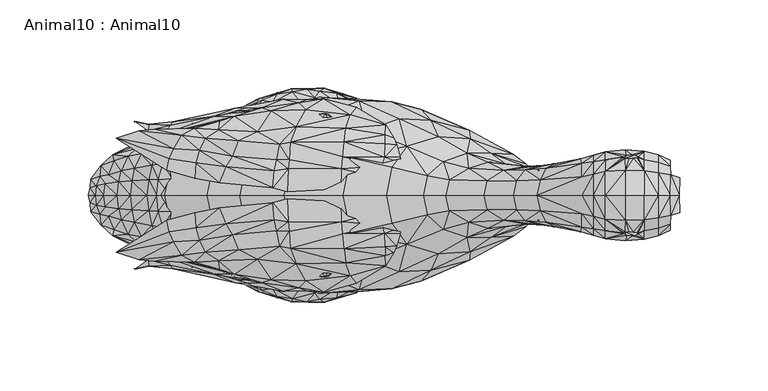
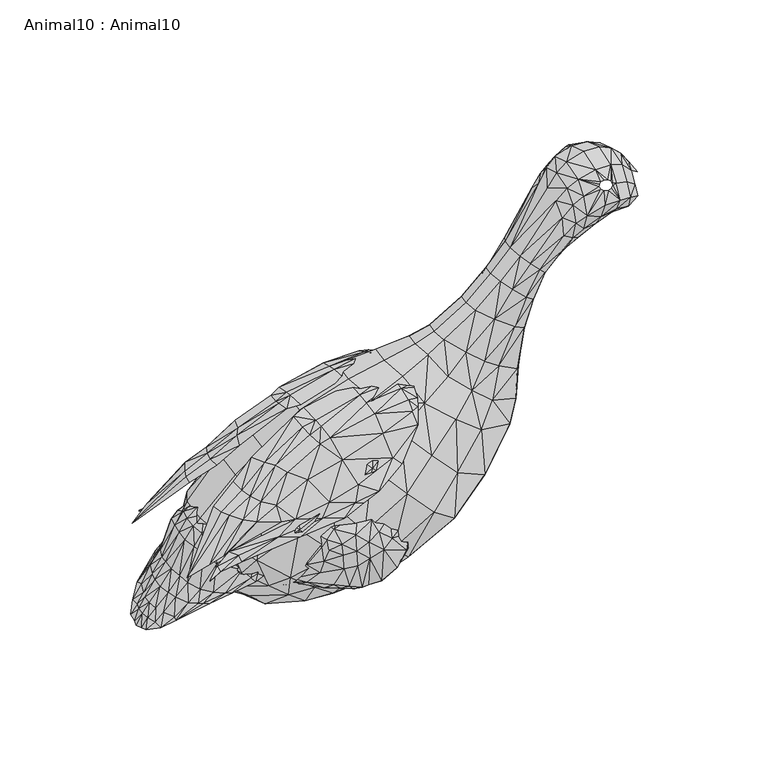
"""IFC4 building model written with IfcOpenShell, lengths in millimetres: geographic element geometry, Animal10 : Animal10."""

from ifc_helpers import new_model, si_unit, origin, place, context, project, spatial, triangles, source, transform, mapped, element, save


def animal10_animal10_7f223ae2(model_context):
    return source(origin(), model_context, "Body", "Tessellation", [
        triangles([(-83.908205, 0.0007284, 269.800374), (-72.4939035, 14.2146711, 268.7290731), (-72.4939035, 0.0007284, 273.4559648), (-61.6470547, 0.0007284, 272.5885396), (-53.775424, 0.0007284, 269.4131883), (-61.6470547, 13.7809573, 267.9778471), (-65.36273, 21.6423745, 261.0640795), (-65.1556523, -21.9450449, 259.5809578), (-61.6470547, 20.208875, 258.5558023), (-46.8424942, 16.4083553, 250.5159043), (-46.8424942, 19.7153641, 244.3467133), (-90.6861071, 11.9613577, 260.3914643), (-41.8283653, 0.0007284, 255.287379), (-41.5535819, 9.9933932, 253.844898), (-68.5724314, 22.8934223, 257.4424982), (-66.432632, 22.5769332, 258.3047821), (-71.5060278, 22.7580517, 258.2357819), (-74.12901, 21.4071894, 261.2365435), (-73.2661856, 21.8404252, 259.3740119), (-65.1556523, 21.9465006, 259.5809578), (-97.1291277, 0.0007284, 255.2997329), (-90.6861071, 0.0007284, 264.1013759), (-97.1291277, -10.4139605, 252.5091329), (-90.6861071, -11.959902, 260.3914643), (-90.6861071, -19.0111727, 252.1958526), (-61.6470547, -24.8180913, 249.1715459), (-46.8424942, -16.4068985, 250.5159043), (-46.8424942, -19.7139084, 244.3467133), (-46.5843658, -11.4844371, 257.5037045), (-41.5535819, -9.9919364, 253.844898), (-83.908205, -24.6352991, 245.8059265), (-73.2661856, -21.8389672, 259.3740119), (-71.5060278, -22.7565938, 258.2357819), (-68.5724314, -22.8919666, 257.4424982), (-66.432632, -22.5754775, 258.3047821), (-61.6470547, -20.2074171, 258.5558023), (-61.1582037, 20.208875, 240.0571313), (-72.4939035, 14.2146711, 229.8407491), (-72.4939035, 20.9600874, 238.7893308), (-60.5804638, 13.7809573, 233.8109283), (-61.6470547, 0.0007284, 229.1558345), (-53.775424, 0.0007284, 228.8038938), (-60.5804638, -13.7795005, 233.8109283), (-72.4939035, -14.2132142, 229.8407491), (-61.1582037, -20.2074171, 240.0571313), (-90.5096371, 19.0126295, 229.034185), (-72.4939035, 25.6869768, 249.8769898), (-61.6470547, 24.8195493, 249.1715459), (-53.775424, 23.0150241, 247.5212833), (-97.1291277, 18.0394978, 244.8850343), (-90.5096371, 22.7225207, 241.5732089), (-83.908205, 24.6367547, 245.8059265), (-83.908205, 20.2342232, 257.2499228), (-52.708833, 18.8297634, 238.3736767), (-90.5096371, -22.721065, 241.5732089), (-53.775424, -23.0135685, 247.5212833), (-52.708833, -18.8283066, 238.3736767), (-83.908205, -20.2327676, 257.2499228), (-83.908205, -20.2327676, 233.8565105), (-72.4939035, -25.6855211, 249.8769898), (-72.4939035, -20.9586317, 238.7893308), (-90.6861071, 19.0126295, 252.1958526), (-83.908205, 13.6895612, 265.3978447), (-53.775424, 12.8786959, 265.2279242), (-53.775424, 18.8297634, 256.3330274), (-46.8424942, 0.0007284, 262.8578472), (-46.5843658, 11.4858939, 257.5037045), (-73.6458272, 21.0254949, 262.6506832), (-72.6794663, 20.6340785, 263.9958591), (-70.5051577, 20.7823184, 264.5132149), (-67.9857121, 20.9687487, 263.9268589), (-66.0184767, 21.2486076, 262.6506832), (-73.6458272, -21.0240369, 262.6506832), (-72.6794663, -20.6326228, 263.9958591), (-72.4939035, -14.2132142, 268.7290731), (-66.0184767, -21.247152, 262.6506832), (-67.9857121, -20.967293, 263.9268589), (-70.5051577, -20.7808605, 264.5132149), (-65.36273, -21.6409188, 261.0640795), (-61.6470547, -13.7795005, 267.9778471), (-53.775424, -12.8772379, 265.2279242), (-53.775424, -18.8283066, 256.3330274), (-83.908205, -13.6881044, 265.3978447), (-74.12901, -21.4057315, 261.2365435), (-103.7851712, 8.8637395, 203.6803728), (-101.9436321, 0.0007284, 202.1808277), (-97.8350166, 10.4154174, 210.7879332), (-97.8350166, 0.0007284, 207.9973331), (-135.6364883, 0.0007284, 207.712267), (-122.6268446, 0.0007284, 221.5038307), (-129.180914, -14.4187431, 202.4556111), (-120.7852964, -8.8622821, 220.0043037), (-97.8350166, -10.4139605, 210.7879332), (-112.3146561, 17.7267511, 212.5985603), (-107.4446499, 15.3519143, 207.2881468), (-117.4707458, 15.3519143, 217.3371155), (-150.8350156, 8.1973149, 191.314358), (-129.180914, 14.4201999, 202.4556111), (-133.9067157, 8.3258141, 206.3037592), (-103.7851712, -8.8622821, 203.6803728), (-114.8392476, -14.4187431, 190.2267427), (-121.0087202, -16.6494436, 195.1974785), (-107.4446499, -15.3504575, 207.2881468), (-133.9067157, -8.3243579, 206.3037592), (-141.3184362, -14.1961765, 185.2382209), (-172.351235, 8.7699208, 177.9979651), (-175.7602929, 19.1374515, 159.3152574), (-208.097109, 0.0007284, 170.2511451), (-186.9762144, 0.0007284, 174.880005), (-232.4089063, 0.0007284, 165.6864892), (-204.7785616, -15.970924, 167.5489118), (-184.6805696, -11.0478631, 173.0106787), (-161.0791032, -15.1879583, 168.7979271), (-175.7602929, -19.1359936, 159.3152574), (-117.3733589, 8.1973149, 169.9547061), (-120.8818203, 14.1976333, 172.0279262), (-204.7785616, 15.9723808, 167.5489118), (-196.5021046, 27.6644428, 152.2339854), (-184.6805696, 11.0493199, 173.0106787), (-161.0791032, 15.1894151, 168.7979271), (-126.3076882, -15.1879583, 144.8571919), (-120.0799252, 0.0007284, 140.4638009), (-121.9019706, -8.768464, 141.9474494), (-115.6702924, 0.0007284, 168.5679266), (-139.9740779, -17.5376559, 153.2535271), (-120.8818203, -14.1961765, 172.0279262), (-196.5021046, -27.6629849, 152.2339854), (-260.2776631, -26.4649203, 150.3713084), (-227.9832317, -21.2993767, 162.0827302), (-111.5439455, 8.3258141, 187.8081948), (-114.8392476, 14.4201999, 190.2267427), (-141.3184362, 14.1976333, 185.2382209), (-121.0087202, 16.6509004, 195.1974785), (-152.5380911, 0.0007284, 192.7011374), (-128.6682636, 16.3939019, 176.631606), (-150.5265951, 18.7509857, 161.0257271), (-150.8350156, -8.1958586, 191.314358), (-172.351235, -8.768464, 177.9979651), (-150.5265951, -18.7495289, 161.0257271), (-128.6682636, -16.3924451, 176.631606), (-117.3733589, -8.1958586, 169.9547061), (-109.8141819, 0.0007284, 186.3996871), (-111.5439455, -8.3243579, 187.8081948), (-174.1732894, 0.0007284, 179.4816137), (-90.5096371, 0.0007284, 214.3629875), (-72.4939035, 0.0007284, 225.1138574), (-97.8350166, 18.0394978, 220.8971453), (-90.5096371, 11.9613577, 218.0728809), (-83.908205, 13.6895612, 223.8246919), (-83.908205, 20.2342232, 233.8565105), (-97.8350166, 20.8301057, 233.9822114), (-120.7852964, 8.8637395, 220.0043037), (-97.1291277, 10.4154174, 252.5091329), (-90.5096371, -19.0111727, 229.034185), (-112.3146561, -17.7252943, 212.5985603), (-97.8350166, -20.8286501, 233.9822114), (-83.908205, 0.0007284, 219.4221445), (-90.5096371, -11.959902, 218.0728809), (-83.908205, -13.6881044, 223.8246919), (-97.8350166, -18.0380421, 220.8971453), (-117.4707458, -15.3504575, 217.3371155), (-97.1291277, -18.0380421, 244.8850343), (-136.0042984, 23.2966998, 113.7729973), (-124.5094059, 11.0493199, 124.1328936), (-128.6651388, 13.3359729, 112.3880437), (-333.4495957, 0.0007284, 100.8902626), (-309.6985382, 0.0007284, 123.5788668), (-271.2189647, 48.0113182, 118.4076617), (-160.3373607, -31.9425747, 123.0843112), (-148.334178, -23.8639345, 135.1754791), (-160.9554553, -36.892134, 93.980192), (-125.3465914, 0.0007284, 109.6857922), (-124.5094059, -11.0478631, 124.1328936), (-128.6651388, -13.3345161, 112.3880437), (-285.4184795, -27.7182005, 132.2250777), (-253.5329076, -56.3296604, 97.3443852), (-336.9039634, 20.4620868, 87.5415406), (-343.9181791, -13.5256563, 75.0334424), (-341.1553754, 0.0007284, 91.0033933), (-336.9039634, -20.4606288, 87.5415406), (-336.3295072, 7.1778714, 60.7142083), (-348.1117095, 0.0007284, 70.4740459), (-347.2507519, 4.1444543, 69.7729713), (-315.3669059, 27.0534995, 54.952169), (-296.9907383, 40.9234423, 57.4732225), (-336.3295072, -7.1764152, 60.7142083), (-329.3999883, -8.2867234, 55.0182124), (-330.86923, -23.4276579, 64.8940177), (-309.8894423, -39.6493467, 67.8544111), (-207.4547972, 0.0007284, 50.7611412), (-181.4480816, 26.4663783, 74.0723864), (-219.1815342, 48.0113182, 61.8810748), (-213.214184, 27.7196561, 55.4509031), (-236.960409, 47.7244943, 55.6167315), (-233.7174929, 55.438581, 77.3451154), (-330.86923, 23.4291136, 64.8940177), (-346.7286544, 0.0007284, 77.32197), (-343.9181791, 13.5271131, 75.0334424), (-325.5851048, 35.4408395, 79.7117406), (-298.883864, 46.6145057, 73.9229088), (-309.8894423, 39.6508047, 67.8544111), (-175.9491258, 0.0007284, 69.5946619), (-272.2298405, -54.7893883, 86.7325602), (-296.9907383, -40.9219889, 57.4732225), (-298.883864, -46.6130478, 73.9229088), (-219.1815342, -48.0098602, 61.8810748), (-213.214184, -27.7182005, 55.4509031), (-204.740755, -52.9305673, 91.8177876), (-188.3671178, -48.7109393, 79.2338264), (-318.5581355, -40.8704296, 89.9869401), (-347.2507519, -4.1429975, 69.7729713), (-149.0937338, 0.0007284, 86.1931128), (-188.3671178, 48.7123927, 79.2338264), (-153.5194266, 21.3008324, 89.7968808), (-160.9554553, 36.8935897, 93.980192), (-318.5581355, 40.8718875, 89.9869401), (-328.5466973, 23.5977034, 96.8978918), (-272.2298405, 54.7908417, 86.7325602), (-293.3321135, 47.7244943, 107.2532917), (-204.740755, 52.9320207, 91.8177876), (-200.722105, 43.4617003, 125.5407837), (-223.6072997, 53.5548842, 112.211065), (-253.5329076, 56.3311138, 97.3443852), (-253.4973175, 55.1073876, 69.912207), (-136.0042984, -23.2952441, 113.7729973), (-181.4480816, -26.4649203, 74.0723864), (-153.5194266, -21.2993767, 89.7968808), (-271.2189647, -48.0098602, 118.4076617), (-293.3321135, -47.7230363, 107.2532917), (-253.4973175, -55.1059251, 69.912207), (-233.7174929, -55.4371276, 77.3451154), (-223.6072997, -53.5534308, 112.211065), (-328.5466973, -23.5962478, 96.8978918), (-325.5851048, -35.4393816, 79.7117406), (-274.3549107, -20.4606288, 38.3239098), (-292.1841094, 0.0007284, 33.9814264), (-310.6393601, 4.1444543, 42.2303075), (-294.9945847, 13.5271131, 36.2699541), (-259.9012326, 23.5977034, 40.7784294), (-221.2296832, 0.0007284, 42.7241545), (-311.3670047, 7.1778714, 43.8252456), (-302.6729496, 23.4291136, 42.5223273), (-274.3549107, 20.4620868, 38.3239098), (-282.3402336, 35.4408395, 44.6658738), (-302.6729496, -23.4276579, 42.5223273), (-294.9945847, -13.5256563, 36.2699541), (-254.998316, 0.0007284, 36.7860563), (-259.9012326, -23.5962478, 40.7784294), (-226.9546607, -27.5525992, 47.3859021), (-270.1034805, 0.0007284, 34.8620527), (-311.3670047, -7.1764152, 43.8252456), (-310.3768762, 0.0007284, 41.3583313), (-226.9546607, 27.5540571, 47.3859021), (-329.3999883, 8.2881796, 55.0182124), (-282.6160888, 47.1946802, 61.8552769), (-266.6611216, 40.8718875, 48.1943466), (-282.3402336, -35.4393816, 44.6658738), (-236.960409, -47.7230363, 55.6167315), (-282.6160888, -47.1932222, 61.8552769), (-266.6611216, -40.8704296, 48.1943466), (-332.5620772, 0.0007284, 54.7256749), (-315.3669059, -27.0520393, 54.952169), (-310.6393601, -4.1429975, 42.2303075), (-121.9019706, 8.7699208, 141.9474494), (-128.7785221, 17.8649308, 126.0947833), (-126.3076882, 15.1894151, 144.8571919), (-139.9740779, 17.5391138, 153.2535271), (-260.2776631, 26.4663783, 150.3713084), (-227.9832317, 21.3008324, 162.0827302), (-218.608168, 36.8935897, 144.6165997), (-285.4184795, 27.7196561, 132.2250777), (-303.9735788, 27.5540571, 118.9171237), (-291.1778482, 0.0007284, 136.9148351), (-265.776637, 0.0007284, 154.8490329), (-178.4197236, 33.1132064, 137.6591483), (-242.4738625, 45.8405749, 132.6043333), (-148.334178, 23.8653901, 135.1754791), (-160.3373607, 31.9440326, 123.0843112), (-162.0472309, 23.8455603, 147.2453637), (-182.8360601, 42.600938, 106.4649677), (-162.0472309, -23.8441046, 147.2453637), (-128.7785221, -17.8634752, 126.0947833), (-122.2137521, 0.0007284, 122.2635764), (-218.608168, -36.892134, 144.6165997), (-242.4738625, -45.8391215, 132.6043333), (-178.4197236, -33.1117507, 137.6591483), (-182.8360601, -42.5994801, 106.4649677), (-200.722105, -43.4602424, 125.5407837), (-303.9735788, -27.5525992, 118.9171237)], [[1, 2, 63], [3, 2, 1], [4, 2, 3], [6, 2, 4], [5, 6, 4], [64, 6, 5], [75, 1, 83], [75, 3, 1], [80, 5, 4], [80, 81, 5], [75, 4, 3], [75, 80, 4], [7, 9, 20], [36, 79, 8], [65, 48, 9], [49, 48, 65], [10, 49, 65], [11, 49, 10], [153, 62, 50], [12, 62, 153], [21, 12, 153], [22, 12, 21], [13, 67, 66], [14, 67, 13], [15, 48, 47], [16, 48, 15], [15, 47, 17], [52, 17, 47], [19, 17, 52], [19, 53, 18], [19, 52, 53], [20, 48, 16], [20, 9, 48], [24, 21, 23], [24, 22, 21], [25, 23, 162], [25, 24, 23], [26, 82, 36], [26, 56, 82], [56, 27, 82], [56, 28, 27], [29, 13, 66], [29, 30, 13], [33, 31, 60], [33, 32, 31], [58, 32, 84], [31, 32, 58], [60, 34, 33], [26, 34, 60], [26, 35, 34], [26, 8, 35], [36, 8, 26], [54, 40, 37], [43, 57, 45], [38, 41, 146], [40, 41, 38], [150, 38, 149], [39, 38, 150], [39, 40, 38], [37, 40, 39], [40, 42, 41], [44, 59, 159], [44, 61, 59], [41, 44, 146], [41, 43, 44], [42, 43, 41], [43, 61, 44], [43, 45, 61], [51, 150, 46], [52, 150, 51], [52, 39, 150], [47, 39, 52], [48, 39, 47], [37, 39, 48], [49, 37, 48], [54, 37, 49], [50, 51, 151], [62, 51, 50], [62, 52, 51], [53, 52, 62], [11, 54, 49], [55, 162, 156], [55, 25, 162], [45, 56, 26], [45, 57, 56], [57, 28, 56], [31, 25, 55], [31, 58, 25], [61, 31, 59], [61, 60, 31], [61, 26, 60], [61, 45, 26], [59, 55, 154], [59, 31, 55], [12, 53, 62], [63, 53, 12], [64, 9, 6], [65, 9, 64], [67, 65, 64], [10, 65, 67], [22, 63, 12], [1, 63, 22], [66, 64, 5], [67, 64, 66], [63, 18, 53], [68, 18, 63], [63, 69, 68], [63, 2, 69], [69, 2, 70], [2, 71, 70], [2, 6, 71], [71, 6, 72], [6, 7, 72], [6, 9, 7], [74, 83, 73], [75, 83, 74], [75, 74, 78], [80, 77, 76], [77, 75, 78], [80, 75, 77], [79, 80, 76], [36, 80, 79], [36, 81, 80], [36, 82, 81], [81, 66, 5], [81, 29, 66], [83, 22, 24], [83, 1, 22], [82, 29, 81], [82, 27, 29], [84, 83, 58], [84, 73, 83], [58, 24, 25], [58, 83, 24], [85, 88, 86], [87, 88, 85], [88, 100, 86], [88, 93, 100], [87, 145, 88], [148, 145, 87], [95, 87, 85], [147, 87, 95], [152, 98, 99], [96, 98, 152], [90, 99, 89], [152, 99, 90], [145, 93, 88], [145, 158, 93], [104, 90, 89], [104, 92, 90], [91, 92, 104], [91, 161, 92], [93, 103, 100], [93, 160, 103], [85, 142, 130], [86, 142, 85], [131, 85, 130], [95, 85, 131], [133, 95, 131], [94, 95, 133], [98, 94, 133], [96, 94, 98], [99, 132, 97], [98, 132, 99], [134, 99, 97], [89, 99, 134], [142, 100, 143], [142, 86, 100], [100, 101, 143], [100, 103, 101], [103, 102, 101], [103, 155, 102], [105, 104, 137], [105, 91, 104], [155, 91, 102], [155, 161, 91], [104, 134, 137], [104, 89, 134], [106, 107, 119], [120, 107, 106], [110, 117, 269], [108, 117, 110], [108, 119, 117], [109, 119, 108], [111, 110, 129], [111, 108, 110], [111, 109, 108], [111, 112, 109], [114, 138, 112], [114, 113, 138], [264, 124, 122], [115, 124, 264], [266, 115, 264], [116, 115, 266], [267, 116, 266], [135, 116, 267], [269, 118, 270], [117, 118, 269], [119, 118, 117], [107, 118, 119], [274, 269, 268], [110, 269, 274], [279, 120, 136], [107, 120, 279], [107, 275, 118], [107, 279, 275], [113, 281, 139], [113, 114, 281], [141, 121, 123], [141, 126, 121], [124, 123, 122], [124, 141, 123], [126, 125, 121], [126, 140, 125], [127, 129, 284], [127, 111, 129], [127, 112, 111], [127, 114, 112], [129, 274, 128], [129, 110, 274], [286, 114, 127], [281, 114, 286], [115, 142, 124], [130, 142, 115], [116, 130, 115], [131, 130, 116], [135, 131, 116], [133, 131, 135], [132, 133, 135], [98, 133, 132], [97, 120, 106], [132, 120, 97], [109, 106, 119], [144, 106, 109], [144, 97, 106], [134, 97, 144], [132, 136, 120], [136, 135, 267], [132, 135, 136], [139, 105, 113], [113, 137, 138], [113, 105, 137], [138, 134, 144], [138, 137, 134], [140, 139, 125], [140, 105, 139], [102, 105, 140], [102, 91, 105], [101, 140, 126], [101, 102, 140], [142, 141, 124], [142, 143, 141], [143, 126, 141], [143, 101, 126], [138, 109, 112], [138, 144, 109], [148, 157, 145], [149, 157, 148], [149, 146, 157], [38, 146, 149], [147, 148, 87], [46, 148, 147], [46, 149, 148], [150, 149, 46], [94, 147, 95], [151, 147, 94], [151, 46, 147], [51, 46, 151], [96, 151, 94], [50, 151, 96], [152, 50, 96], [153, 50, 152], [90, 153, 152], [21, 153, 90], [158, 160, 93], [158, 154, 160], [160, 155, 103], [160, 156, 155], [146, 159, 157], [146, 44, 159], [159, 154, 158], [159, 59, 154], [23, 90, 92], [23, 21, 90], [154, 156, 160], [154, 55, 156], [156, 161, 155], [156, 162, 161], [162, 92, 161], [162, 23, 92], [157, 158, 145], [157, 159, 158], [165, 283, 172], [164, 283, 165], [265, 165, 163], [164, 165, 265], [278, 215, 280], [163, 215, 278], [277, 163, 278], [265, 163, 277], [271, 219, 272], [168, 219, 271], [166, 272, 217], [167, 272, 166], [223, 276, 222], [168, 276, 223], [225, 170, 169], [225, 282, 170], [171, 169, 287], [171, 225, 169], [283, 174, 172], [283, 173, 174], [174, 282, 225], [174, 173, 282], [229, 175, 289], [229, 228, 175], [285, 176, 232], [285, 228, 176], [289, 166, 233], [289, 167, 166], [179, 198, 197], [177, 198, 179], [180, 197, 178], [180, 179, 197], [254, 261, 181], [261, 187, 186], [196, 254, 181], [184, 254, 196], [181, 261, 183], [183, 261, 182], [201, 184, 196], [201, 185, 184], [187, 188, 186], [187, 262, 188], [262, 189, 188], [204, 189, 262], [261, 186, 211], [261, 211, 182], [193, 202, 190], [191, 202, 193], [214, 202, 191], [212, 202, 214], [213, 193, 192], [191, 193, 213], [195, 194, 224], [192, 194, 195], [220, 192, 195], [213, 192, 220], [198, 181, 183], [196, 181, 198], [177, 196, 198], [199, 196, 177], [182, 198, 183], [197, 198, 182], [216, 201, 199], [216, 200, 201], [199, 201, 196], [218, 255, 200], [218, 224, 255], [185, 200, 255], [201, 200, 185], [202, 227, 226], [202, 212, 227], [259, 203, 205], [230, 203, 259], [205, 204, 259], [205, 189, 204], [207, 209, 206], [207, 226, 209], [206, 208, 231], [206, 209, 208], [258, 231, 230], [258, 206, 231], [202, 207, 190], [202, 226, 207], [189, 210, 234], [205, 210, 189], [189, 234, 188], [188, 180, 178], [188, 234, 180], [186, 178, 211], [186, 188, 178], [178, 182, 211], [178, 197, 182], [165, 212, 214], [172, 212, 165], [215, 191, 213], [214, 191, 215], [163, 214, 215], [165, 214, 163], [280, 213, 220], [215, 213, 280], [217, 199, 177], [216, 199, 217], [272, 216, 217], [219, 216, 272], [179, 217, 177], [166, 217, 179], [168, 218, 219], [168, 223, 218], [200, 219, 218], [216, 219, 200], [220, 221, 280], [222, 221, 220], [222, 195, 223], [222, 220, 195], [224, 223, 195], [218, 223, 224], [227, 225, 171], [227, 174, 225], [226, 171, 209], [226, 227, 171], [212, 174, 227], [212, 172, 174], [203, 228, 229], [176, 228, 203], [229, 205, 203], [229, 210, 205], [176, 230, 231], [176, 203, 230], [231, 232, 176], [208, 232, 231], [288, 208, 287], [288, 232, 208], [209, 287, 208], [209, 171, 287], [210, 289, 233], [210, 229, 289], [233, 179, 180], [233, 166, 179], [234, 233, 180], [234, 210, 233], [238, 250, 236], [243, 250, 238], [236, 235, 246], [236, 250, 235], [237, 236, 252], [238, 236, 237], [243, 247, 250], [239, 247, 243], [239, 240, 247], [253, 240, 239], [241, 238, 237], [242, 238, 241], [244, 238, 242], [243, 238, 244], [256, 243, 244], [239, 243, 256], [246, 257, 245], [246, 235, 257], [235, 260, 257], [235, 248, 260], [240, 248, 247], [240, 249, 248], [247, 235, 250], [247, 248, 235], [246, 251, 263], [246, 245, 251], [236, 263, 252], [236, 246, 263], [252, 261, 237], [253, 190, 240], [193, 190, 253], [237, 261, 241], [194, 239, 256], [253, 239, 194], [192, 253, 194], [193, 253, 192], [241, 261, 254], [184, 241, 254], [242, 241, 184], [185, 242, 184], [244, 242, 185], [255, 244, 185], [256, 244, 255], [224, 256, 255], [194, 256, 224], [245, 204, 262], [245, 257, 204], [257, 259, 204], [257, 260, 259], [190, 249, 240], [190, 207, 249], [249, 206, 258], [249, 207, 206], [248, 258, 260], [248, 249, 258], [260, 230, 259], [260, 258, 230], [261, 252, 263], [261, 251, 187], [251, 262, 187], [251, 245, 262], [261, 263, 251], [164, 122, 283], [264, 122, 164], [265, 264, 164], [266, 264, 265], [277, 266, 265], [267, 266, 277], [268, 168, 271], [276, 168, 268], [269, 276, 268], [270, 276, 269], [273, 272, 167], [271, 272, 273], [273, 268, 271], [274, 268, 273], [221, 118, 275], [270, 118, 221], [270, 222, 276], [270, 221, 222], [267, 279, 136], [267, 277, 279], [278, 279, 277], [275, 279, 278], [275, 280, 221], [275, 278, 280], [281, 125, 139], [170, 125, 281], [281, 169, 170], [281, 286, 169], [123, 282, 173], [123, 121, 282], [122, 173, 283], [122, 123, 173], [121, 170, 282], [121, 125, 170], [285, 129, 128], [285, 284, 129], [128, 273, 175], [128, 274, 273], [228, 128, 175], [228, 285, 128], [232, 284, 285], [288, 284, 232], [287, 286, 288], [169, 286, 287], [127, 288, 286], [127, 284, 288], [175, 167, 289], [175, 273, 167]], closed=False),
        triangles([(-210.2790798, 16.8659389, 166.168709), (-200.6180961, 15.596828, 164.6650944), (-208.8940989, 21.6009957, 163.5651252), (-199.1466197, 18.2053568, 162.6485932), (-200.1704126, 21.677599, 161.4844927), (-202.0471876, 28.6650744, 158.6217314), (-211.178389, -9.6827711, 167.1851622), (-200.6180961, -15.5953701, 164.6650944), (-210.2790798, -16.8644821, 166.168709), (-200.1704126, -21.676141, 161.4844927), (-199.1466197, -18.2039, 162.6485932), (-208.8940989, -21.5995401, 163.5651252), (-202.0471876, -28.6636188, 158.6217314), (-211.178389, 9.6842279, 167.1851622), (-233.3674416, 3.6352727, 164.4187613), (-208.5565105, 29.1882983, 159.7573452), (-232.766261, -21.8127174, 161.6590824), (-208.5116731, 34.2513886, 154.583842), (-272.2758043, 4.2028798, 155.2564754), (-264.0183505, 1.8603034, 156.7701003), (-272.2758043, -4.201423, 155.2564754), (-264.0183505, -1.8588466, 156.7701003), (-270.0953414, 20.0297889, 150.623773), (-263.6091094, 14.922144, 155.666007), (-268.4608482, 28.968542, 148.8964348), (-262.933751, -20.2769713, 154.4374846), (-294.8792574, 22.2483081, 138.6907714), (-271.6152341, 13.9899845, 153.3877486), (-262.2894589, 30.0680888, 151.8932268), (-298.8236206, -16.2517799, 138.4718076), (-271.6152341, -13.9885277, 153.3877486), (-294.8792574, -22.2468502, 138.6907714), (-291.7141708, -30.7848965, 137.9186528), (-270.0953414, -20.0283333, 150.623773), (-268.4608482, -28.9670841, 148.8964348), (-233.0916771, 15.0103631, 163.46673), (-262.933751, 20.2784293, 154.4374846), (-232.766261, 21.8141731, 161.6590824), (-231.9277584, 30.2029893, 158.4788622), (-203.7665776, 32.5544741, 155.0908786), (-231.9277584, -30.2015336, 158.4788622), (-262.2894589, -30.0666332, 151.8932268), (-230.8805294, -38.1204975, 148.8967981), (-259.0950863, -38.8937878, 140.3879879), (-208.5565105, -29.1868427, 159.7573452), (-203.7665776, -32.5530185, 155.0908786), (-208.5116731, -34.2753697, 154.583842), (-263.6091094, -14.9206872, 155.666007), (-233.3674416, -3.6338162, 164.4187613), (-233.0916771, -15.0089074, 163.46673), (-253.1426335, 54.0949403, 116.4996568), (-314.119889, 25.5162137, 124.9714326), (-302.9071105, 37.0464692, 121.5912428), (-310.5770093, 32.3753699, 124.1823183), (-316.4988135, 37.9696573, 115.1022857), (-243.4422445, -54.8409068, 121.9045776), (-323.8757252, -34.0266817, 116.8267716), (-328.4605471, -26.4001509, 117.0955416), (-316.568286, 9.7825844, 126.8982953), (-328.4605471, 26.4016066, 117.0955416), (-228.4029735, 45.545126, 134.9387566), (-243.4422445, 54.8423647, 121.9045776), (-253.7343488, 48.5307632, 126.3734273), (-273.0765003, -47.9550444, 120.0598228), (-257.6977879, -52.3357408, 117.0857039), (-253.7343488, -48.5293098, 126.3734273), (-224.8649082, -49.7963382, 131.860338), (-331.140071, -20.7217889, 117.0612504), (-294.2191051, -44.8955382, 113.3742934), (-333.9337232, 34.7919261, 97.8529389), (-305.4046506, 44.8088656, 104.7721931), (-293.7276199, 49.4493935, 103.3512588), (-278.6932541, 49.5505365, 111.5961679), (-278.6932541, -49.5490786, 111.5961679), (-333.9337232, -34.7904659, 97.8529389), (-339.5807622, 37.493812, 98.1048494), (-323.8757252, 34.0281374, 116.8267716), (-281.1083683, 36.1496467, 131.8105954), (-294.2191051, 44.8969916, 113.3742934), (-302.284583, 42.0046172, 112.765755), (-266.6637195, 54.4234722, 110.3744402), (-257.6977879, 52.3371987, 117.0857039), (-253.1426335, -54.0934824, 116.4996568), (-266.6637195, -54.4220097, 110.3744402), (-347.8964973, -36.6398307, 94.6806398), (-339.5807622, -37.492354, 98.1048494), (-302.284583, -42.0031638, 112.765755), (-316.4988135, -37.9682016, 115.1022857), (-350.8646665, -41.6506735, 86.5937787), (-350.7017404, -41.8812508, 86.9153434), (-342.8559257, -36.5743187, 91.6404456), (-342.6639316, -40.1851879, 89.6565732), (-350.8646665, 41.6521315, 86.5937787), (-350.7017404, 41.8827042, 86.9153434), (-342.8559257, 36.5757744, 91.6404456), (-332.382001, 14.195694, 117.4705187), (-331.140071, 20.7232468, 117.0612504), (-361.0597564, 32.2116785, 87.1728495), (-347.8964973, 36.6412863, 94.6806398), (-342.6639316, 40.1866413, 89.6565732), (-329.0622909, 41.7695071, 93.2254688), (-330.1945255, 39.7148451, 96.7926475), (-332.382001, -14.1942372, 117.4705187), (-361.0597564, -32.2102228, 87.1728495), (-293.7276199, -49.4479401, 103.3512588), (-329.0622909, -41.7680492, 93.2254688), (-305.4046506, -44.8074076, 104.7721931), (-330.1945255, -39.7133872, 96.7926475), (-315.8855515, 18.4900324, 125.8464972), (-302.4439847, 7.0406273, 137.8250085), (-298.8236206, 16.2532367, 138.4718076), (-291.7141708, 30.7863544, 137.9186528), (-208.2427578, 39.9991346, 148.1985849), (-230.8805294, 38.1219554, 148.8967981), (-259.0950863, 38.8952458, 140.3879879), (-273.0765003, 47.9564978, 120.0598228), (-224.8649082, 49.7977962, 131.860338), (-281.1083683, -36.148191, 131.8105954), (-302.9071105, -37.0450113, 121.5912428), (-228.4029735, -45.5436726, 134.9387566), (-208.2427578, -39.9976812, 148.1985849), (-315.8855515, -18.4885756, 125.8464972), (-316.568286, -9.7811288, 126.8982953), (-302.4439847, -7.0391711, 137.8250085), (-310.5770093, -32.3739119, 124.1823183), (-314.119889, -25.514758, 124.9714326)], [[2, 1, 14], [2, 4, 1], [4, 3, 1], [4, 5, 3], [6, 3, 5], [6, 16, 3], [9, 8, 7], [11, 8, 9], [12, 11, 9], [10, 11, 12], [12, 13, 10], [45, 13, 12], [36, 14, 1], [15, 14, 36], [38, 1, 3], [36, 1, 38], [39, 3, 16], [38, 3, 39], [12, 41, 45], [12, 17, 41], [9, 17, 12], [9, 50, 17], [7, 50, 9], [7, 49, 50], [121, 46, 47], [40, 113, 18], [19, 24, 28], [20, 24, 19], [48, 21, 31], [48, 22, 21], [23, 24, 37], [28, 24, 23], [25, 37, 29], [23, 37, 25], [48, 34, 26], [48, 31, 34], [26, 35, 42], [26, 34, 35], [19, 111, 110], [19, 28, 111], [28, 27, 111], [28, 23, 27], [23, 112, 27], [23, 25, 112], [29, 115, 25], [30, 21, 124], [31, 21, 30], [33, 34, 32], [35, 34, 33], [32, 31, 30], [34, 31, 32], [44, 42, 35], [15, 24, 20], [15, 36, 24], [36, 37, 24], [36, 38, 37], [38, 29, 37], [38, 39, 29], [40, 16, 6], [40, 18, 16], [39, 18, 114], [16, 18, 39], [114, 29, 39], [114, 115, 29], [42, 43, 41], [44, 43, 42], [42, 17, 26], [41, 17, 42], [47, 41, 43], [47, 45, 41], [45, 46, 13], [47, 46, 45], [48, 49, 22], [50, 49, 48], [26, 50, 48], [17, 50, 26], [62, 51, 82], [52, 77, 60], [52, 54, 77], [55, 54, 53], [77, 54, 55], [83, 56, 65], [125, 88, 119], [125, 57, 88], [57, 126, 58], [125, 126, 57], [109, 96, 59], [109, 97, 96], [109, 60, 97], [109, 52, 60], [62, 61, 117], [63, 61, 62], [63, 82, 116], [63, 62, 82], [65, 66, 64], [56, 66, 65], [120, 56, 67], [120, 66, 56], [103, 122, 123], [68, 122, 103], [58, 122, 68], [126, 122, 58], [79, 73, 71], [74, 69, 107], [70, 71, 102], [79, 71, 70], [73, 72, 71], [73, 81, 72], [105, 74, 107], [84, 74, 105], [107, 75, 108], [107, 69, 75], [77, 76, 99], [77, 55, 76], [78, 79, 53], [78, 116, 79], [80, 53, 79], [55, 53, 80], [55, 70, 76], [55, 80, 70], [73, 116, 82], [79, 116, 73], [81, 82, 51], [73, 82, 81], [64, 74, 65], [64, 69, 74], [69, 118, 119], [64, 118, 69], [65, 84, 83], [65, 74, 84], [86, 57, 85], [88, 57, 86], [119, 87, 69], [119, 88, 87], [75, 88, 86], [87, 88, 75], [92, 90, 89], [92, 91, 90], [94, 100, 93], [95, 100, 94], [96, 97, 98], [97, 60, 98], [99, 60, 77], [98, 60, 99], [102, 95, 70], [102, 100, 95], [101, 71, 72], [102, 71, 101], [102, 101, 100], [68, 103, 104], [58, 85, 57], [58, 104, 85], [58, 68, 104], [107, 106, 105], [107, 108, 106], [91, 108, 75], [92, 108, 91], [106, 108, 92], [109, 110, 111], [59, 110, 109], [52, 111, 27], [109, 111, 52], [54, 27, 112], [52, 27, 54], [25, 78, 112], [25, 115, 78], [53, 112, 78], [54, 112, 53], [114, 113, 61], [18, 113, 114], [61, 115, 114], [61, 63, 115], [116, 115, 63], [78, 115, 116], [113, 117, 61], [121, 43, 120], [121, 47, 43], [33, 119, 118], [33, 125, 119], [118, 35, 33], [44, 35, 118], [67, 121, 120], [44, 120, 43], [66, 120, 44], [44, 64, 66], [44, 118, 64], [124, 122, 30], [124, 123, 122], [30, 126, 32], [30, 122, 126], [32, 125, 33], [32, 126, 125]], closed=False),
        triangles([(-261.4891262, 42.463292, 113.0637655), (-275.694709, 48.8533589, 106.2493286), (-261.4891262, -42.461834, 113.0637655), (-285.7333404, 49.6493904, 96.216974), (-288.1956356, 46.0117037, 98.2991598), (-280.8087318, 52.6430395, 93.5669178), (-283.8392336, -44.539051, 103.9778557), (-288.1956356, -46.0102457, 98.2991598), (-281.7557671, -50.3542529, 100.9492161), (-280.8087318, -52.6415861, 93.5669178), (-261.1102976, -58.6636749, 98.8670303), (-270.0124613, -57.2659268, 94.5133626), (-280.2405071, 45.037281, 107.763653), (-283.8392336, 44.5405089, 103.9778557), (-281.7557671, 50.3557063, 100.9492161), (-278.1570042, 53.9230667, 98.488447), (-248.6093891, 55.2869596, 103.4099761), (-236.1084806, 46.9933207, 109.8458387), (-234.4037882, 51.7381801, 99.6241879), (-272.664189, 52.7000945, 103.2206981), (-248.0411644, 46.2149071, 111.3601631), (-280.2405071, -45.0358276, 107.763653), (-248.6093891, -55.2855017, 103.4099761), (-236.1084806, -46.9918628, 109.8458387), (-275.694709, -48.8519009, 106.2493286), (-272.664189, -52.6986365, 103.2206981), (-278.1570042, -53.9216042, 98.488447), (-255.4280681, 51.0794539, 107.5743567), (-262.8149719, 47.3517927, 110.4137092), (-248.419993, 40.9680844, 116.0924051), (-262.8149719, -47.3503393, 110.4137092), (-248.419993, -40.9666264, 116.0924051), (-255.4280681, -51.0779914, 107.5743567), (-248.0411644, -46.2134492, 111.3601631), (-235.9190482, 57.9554605, 87.3203514), (-253.1551872, 60.2376976, 91.8633063), (-260.7314871, 60.2277555, 77.6665711), (-280.4299032, 54.6225153, 84.1024246), (-282.1345775, 52.6871183, 75.3950936), (-289.7108956, -49.9249732, 82.209526), (-282.1345775, -52.6856604, 75.3950936), (-261.4891262, -60.4426633, 88.4560924), (-268.87603, -57.8451611, 76.9094135), (-235.9190482, -57.9540071, 87.3203514), (-252.5869625, -60.4389117, 80.3166364), (-253.1551872, -60.2362397, 91.8633063), (-243.1165558, -60.6866164, 82.9666927), (-299.1812841, 44.5540664, 69.7164023), (-279.6722641, 52.8699696, 63.8484238), (-301.6435793, -43.0637414, 67.634212), (-299.1812841, -44.5526085, 69.7164023), (-274.7476737, -55.5935588, 65.9306096), (-302.9694431, -34.7399217, 65.1734519), (-304.6741174, -40.8791681, 69.3378235), (-292.173209, 46.363549, 67.2556377), (-301.6435793, 43.0651993, 67.634212), (-302.9694431, 34.7413773, 65.1734519), (-304.6741174, 40.8806261, 69.3378235), (-249.5564243, 53.5047329, 55.7089588), (-257.5115529, 49.4511649, 53.2481897), (-249.5564243, -53.5032749, 55.7089588), (-270.2018938, -38.8862483, 57.7911491), (-259.7844519, -35.0286372, 51.7147894), (-239.3283967, -33.5713134, 51.4165382), (-229.1003873, -36.9204663, 55.8982459), (-230.2368187, 47.0085087, 60.2519137), (-217.1676855, 41.778114, 68.5806658), (-229.1003873, 36.9219219, 55.8982459), (-270.2018938, 38.8877063, 57.7911491), (-277.3993651, 42.0238112, 60.4412054), (-264.8984566, 57.3618012, 62.5233957), (-274.7476737, 55.5950122, 65.9306096), (-269.0654261, 54.228703, 60.6304925), (-291.2261737, 40.1268067, 63.6591276), (-291.2261737, -40.1253488, 63.6591276), (-292.173209, -46.3620911, 67.2556377), (-277.3993651, -42.0223578, 60.4412054), (-269.0654261, -54.2272451, 60.6304925), (-241.6012958, -55.3825161, 57.0339869), (-254.8598615, -55.3825161, 57.0339869), (-257.5115529, -49.4497069, 53.2481897), (-264.8984566, -57.3603478, 62.5233957), (-279.6722641, -52.8685072, 63.8484238), (-220.3876197, 50.2256906, 70.0949811), (-211.4854378, 44.2090793, 71.4200092), (-210.5384026, 44.448645, 78.4237287), (-219.8193768, 50.3568145, 80.8844979), (-303.7270822, 42.2039555, 73.5021996), (-297.2872137, 44.7489083, 84.6702951), (-294.0672794, 46.0313654, 82.9666927), (-300.6965441, 43.4377601, 71.4200092), (-302.2118041, 43.353036, 69.5271152), (-296.7189707, 46.2488258, 72.7450374), (-243.1165558, 60.6880789, 82.9666927), (-224.7440035, 55.1511985, 73.5021996), (-232.6991139, 57.6515364, 64.6055769), (-241.6012958, 55.3839741, 57.0339869), (-254.8598615, 55.3839741, 57.0339869), (-252.5869625, 60.4403697, 80.3166364), (-268.87603, 57.846619, 76.9094135), (-289.5214813, 49.7807959, 69.3378235), (-289.5214813, -49.779338, 69.3378235), (-260.7314871, -60.2263021, 77.6665711), (-210.5384026, -44.4471916, 78.4237287), (-219.8193768, -50.3553611, 80.8844979), (-224.7440035, -55.1497451, 73.5021996), (-232.6991139, -57.650083, 64.6055769), (-217.1676855, -41.7766606, 68.5806658), (-211.4854378, -44.2076214, 71.4200092), (-220.3876197, -50.2242372, 70.0949811), (-230.2368187, -47.0070553, 60.2519137), (-294.0672794, -46.0299075, 82.9666927), (-300.6965441, -43.4363067, 71.4200092), (-302.2118041, -43.3515781, 69.5271152), (-296.7189707, -46.2473724, 72.7450374), (-303.7270822, -42.2024976, 73.5021996), (-219.2511702, 49.7412998, 92.8097511), (-245.578851, 59.0779755, 96.0276869), (-261.1102976, 58.6651328, 98.8670303), (-261.4891262, 60.4441167, 88.4560924), (-269.4442547, 58.1343649, 86.9417771), (-289.7108956, 49.9264266, 82.209526), (-270.0124613, 57.2673847, 94.5133626), (-277.5887976, 55.5937678, 91.8633063), (-285.7333404, -49.6479279, 96.216974), (-280.4299032, -54.6210619, 84.1024246), (-219.2511702, -49.7398464, 92.8097511), (-234.4037882, -51.7367267, 99.6241879), (-245.578851, -59.0765221, 96.0276869), (-277.5887976, -55.5923053, 91.8633063), (-269.4442547, -58.1329024, 86.9417771), (-297.2872137, -44.7474504, 84.6702951), (-240.6542606, 43.4256515, 53.4183964), (-249.935253, 43.1130616, 51.6956999), (-239.3283967, 33.5727691, 51.4165382), (-251.8293234, 33.2378899, 48.4968627), (-259.7844519, 35.0300929, 51.7147894), (-251.8293234, -33.2364342, 48.4968627), (-249.935253, -43.1116036, 51.6956999), (-240.6542606, -43.4241981, 53.4183964)], [[1, 2, 13], [29, 2, 1], [25, 3, 22], [25, 31, 3], [15, 5, 14], [4, 5, 15], [6, 15, 16], [6, 4, 15], [20, 123, 16], [119, 123, 20], [8, 9, 7], [8, 125, 9], [9, 10, 27], [125, 10, 9], [12, 26, 27], [12, 11, 26], [15, 13, 2], [15, 14, 13], [2, 16, 15], [20, 16, 2], [20, 29, 28], [20, 2, 29], [17, 19, 118], [18, 19, 17], [119, 28, 17], [119, 20, 28], [21, 17, 28], [18, 17, 21], [22, 9, 25], [7, 9, 22], [23, 34, 33], [23, 24, 34], [33, 11, 23], [26, 11, 33], [128, 23, 129], [128, 24, 23], [31, 26, 33], [25, 26, 31], [27, 25, 9], [27, 26, 25], [29, 21, 28], [30, 21, 29], [1, 30, 29], [32, 3, 31], [34, 31, 33], [34, 32, 31], [35, 87, 95], [117, 87, 35], [36, 94, 99], [99, 120, 36], [99, 37, 120], [121, 37, 100], [120, 37, 121], [100, 38, 121], [100, 39, 38], [122, 39, 93], [38, 39, 122], [41, 40, 115], [41, 126, 40], [42, 45, 46], [103, 45, 42], [103, 131, 43], [103, 42, 131], [126, 43, 131], [41, 43, 126], [105, 44, 106], [105, 127, 44], [47, 46, 45], [48, 55, 56], [101, 55, 48], [48, 56, 92], [49, 101, 72], [49, 55, 101], [76, 51, 50], [76, 102, 51], [50, 51, 114], [102, 83, 52], [76, 83, 102], [50, 75, 76], [53, 75, 50], [50, 54, 53], [50, 114, 54], [74, 56, 55], [74, 57, 56], [58, 56, 57], [92, 56, 58], [133, 59, 97], [133, 134, 59], [60, 59, 134], [98, 59, 60], [61, 81, 139], [61, 80, 81], [61, 140, 79], [139, 140, 61], [62, 81, 78], [63, 81, 62], [60, 69, 73], [60, 137, 69], [133, 68, 135], [66, 68, 133], [65, 140, 64], [65, 111, 140], [67, 66, 84], [67, 68, 66], [70, 73, 69], [49, 73, 70], [97, 66, 133], [96, 66, 97], [60, 71, 98], [60, 73, 71], [72, 73, 49], [71, 73, 72], [55, 70, 74], [49, 70, 55], [77, 76, 75], [77, 83, 76], [111, 108, 110], [65, 108, 111], [78, 77, 62], [78, 83, 77], [111, 79, 140], [111, 107, 79], [82, 81, 80], [78, 81, 82], [78, 52, 83], [78, 82, 52], [84, 85, 67], [86, 85, 84], [84, 87, 86], [95, 87, 84], [84, 96, 95], [84, 66, 96], [92, 88, 91], [92, 58, 88], [89, 91, 88], [90, 91, 89], [91, 48, 92], [93, 48, 91], [93, 90, 122], [93, 91, 90], [95, 94, 35], [95, 96, 94], [94, 96, 97], [97, 99, 94], [97, 59, 99], [99, 59, 98], [98, 37, 99], [98, 71, 37], [100, 71, 72], [37, 71, 100], [72, 39, 100], [72, 101, 39], [101, 93, 39], [101, 48, 93], [41, 52, 43], [102, 52, 41], [115, 102, 41], [51, 102, 115], [107, 47, 79], [61, 45, 80], [45, 79, 47], [61, 79, 45], [103, 80, 45], [82, 80, 103], [105, 110, 104], [105, 106, 110], [47, 106, 44], [107, 106, 47], [109, 110, 108], [109, 104, 110], [107, 110, 106], [111, 110, 107], [82, 43, 52], [82, 103, 43], [112, 115, 40], [113, 115, 112], [113, 132, 116], [113, 112, 132], [51, 113, 114], [51, 115, 113], [116, 114, 113], [54, 114, 116], [90, 5, 4], [90, 89, 5], [4, 122, 90], [6, 122, 4], [35, 19, 117], [118, 19, 35], [118, 94, 36], [118, 35, 94], [17, 36, 119], [17, 118, 36], [119, 36, 120], [120, 123, 119], [120, 121, 123], [124, 121, 38], [123, 121, 124], [38, 6, 124], [122, 6, 38], [124, 16, 123], [124, 6, 16], [40, 125, 112], [40, 10, 125], [10, 126, 130], [10, 40, 126], [128, 44, 127], [128, 129, 44], [47, 129, 46], [44, 129, 47], [46, 23, 11], [129, 23, 46], [27, 130, 12], [10, 130, 27], [46, 11, 42], [12, 42, 11], [131, 42, 12], [131, 130, 126], [131, 12, 130], [8, 112, 125], [132, 112, 8], [135, 134, 133], [135, 136, 134], [137, 134, 136], [60, 134, 137], [139, 63, 138], [139, 81, 63], [139, 64, 140], [138, 64, 139]], closed=False),
        triangles([(-329.2977416, 9.3817669, 101.6909858), (-325.4538265, 4.3585117, 103.5939402), (-324.0341457, 12.9131562, 101.6448949), (-324.0341457, -12.9116994, 101.6448949), (-325.4538265, -4.3570549, 103.5939402), (-329.2977416, -9.3803095, 101.6909858), (-338.1244557, 0.0135627, 96.693453), (-330.3971658, 0.1060907, 102.2488551), (-319.1751763, 33.6758696, 88.991325), (-319.1751763, -33.6744139, 88.991325), (-319.0416816, 40.314327, 74.1844117), (-314.2114895, 41.5084538, 77.5884509), (-319.0416816, -40.3128691, 74.1844117), (-314.2114895, -41.5070004, 77.5884509), (-324.9044778, 34.7570445, 81.7348729), (-314.4027932, 39.038987, 82.6358717), (-317.5377036, 36.4612669, 83.8976043), (-317.4270272, 40.072177, 79.4363304), (-317.5377036, -36.4598112, 83.8976043), (-317.4270272, -40.0707236, 79.4363304), (-314.4027932, -39.0375291, 82.6358717), (-324.9044778, -34.7555889, 81.7348729), (-360.5017962, 0.0459356, 61.2879969), (-353.104319, 0.011931, 71.2719714), (-336.0355571, 33.984499, 68.0431214), (-345.632573, 31.6020386, 62.5073174), (-336.0355571, -33.9830434, 68.0431214), (-345.632573, -31.6005807, 62.5073174), (-362.1341457, 19.5746568, 51.473298), (-358.1847138, 13.8890948, 60.844819), (-349.8648365, 26.2631407, 61.1262698), (-363.030748, 22.9240754, 51.525634), (-362.1341457, -19.5732012, 51.473298), (-349.8648365, -26.2616851, 61.1262698), (-359.6335353, 7.7478419, 61.2228937), (-350.9059793, 15.247198, 69.4765368), (-365.2130639, 11.7711077, 51.3837867), (-354.5608798, 22.1272967, 60.702186), (-341.3743664, 29.4834202, 68.1523126), (-347.7150767, 29.0577035, 61.885008), (-354.5608798, -22.1258411, 60.702186), (-347.0032016, -23.4387469, 68.461042), (-363.030748, -22.9226175, 51.525634), (-347.7150767, -29.0562479, 61.885008), (-358.1847138, -13.887638, 60.844819), (-359.6335353, -7.7463846, 61.2228937), (-352.1588099, 8.2284647, 70.6876911), (-343.8815171, 0.0977976, 88.6729033), (-341.0185378, 17.1622235, 87.6651705), (-342.7028827, 8.7598697, 88.5765156), (-337.6944674, 26.7247768, 85.475424), (-347.0032016, 23.4402049, 68.461042), (-321.3201399, 38.8121704, 76.9397713), (-332.768024, 36.1985717, 68.1750356), (-341.0185378, -17.1607667, 87.6651705), (-350.9059793, -15.24574, 69.4765368), (-352.1588099, -8.2270079, 70.6876911), (-341.3743664, -29.4819645, 68.1523126), (-337.6944674, -26.7233211, 85.475424), (-332.768024, -36.1971161, 68.1750356), (-321.3201399, -38.8107079, 76.9397713), (-337.1261155, 8.935605, 96.4168347), (-334.3117524, 18.1085377, 95.124835), (-325.2104911, 28.648651, 91.4803264), (-323.2486196, 23.5739767, 96.2268208), (-327.7015454, 17.741544, 99.046834), (-332.4750549, 28.2753658, 88.7672107), (-342.7028827, -8.7584129, 88.5765156), (-337.1261155, -8.9341482, 96.4168347), (-323.2486196, -23.5725187, 96.2268208), (-327.7015454, -17.7400872, 99.046834), (-332.4750549, -28.2739078, 88.7672107), (-325.2104911, -28.6471908, 91.4803264), (-334.3117524, -18.1070809, 95.124835), (-375.3848268, 9.2227065, 40.6793075), (-369.8223029, 16.6621734, 44.7543313), (-376.9635095, 0.0501204, 38.7449143), (-372.2552213, 5.5314137, 45.9012271), (-375.7466143, 4.2229083, 39.2004461), (-375.3848268, -9.2212503, 40.6793075), (-372.2552213, -5.5299569, 45.9012271), (-375.7466143, -4.2214515, 39.2004461), (-368.1587417, 0.0293518, 52.3599354), (-370.3289944, 10.684034, 45.2525749), (-367.3143891, 6.4380382, 52.0569015), (-365.2130639, -11.769652, 51.3837867), (-369.8223029, -16.6607166, 44.7543313), (-372.9086698, 0.096695, 46.1086227), (-370.3289944, -10.6825772, 45.2525749), (-367.3143891, -6.4365819, 52.0569015)], [[2, 1, 8], [1, 3, 66], [4, 6, 71], [6, 5, 8], [62, 8, 1], [7, 8, 62], [63, 1, 66], [62, 1, 63], [6, 74, 71], [6, 69, 74], [8, 69, 6], [8, 7, 69], [64, 9, 17], [10, 73, 19], [18, 11, 53], [18, 12, 11], [13, 20, 61], [14, 20, 13], [15, 64, 17], [67, 64, 15], [67, 15, 51], [17, 16, 18], [53, 17, 18], [15, 17, 53], [19, 61, 20], [19, 22, 61], [21, 19, 20], [22, 72, 59], [73, 22, 19], [73, 72, 22], [24, 35, 23], [24, 47, 35], [25, 26, 40], [25, 54, 26], [28, 27, 44], [60, 27, 28], [46, 24, 23], [57, 24, 46], [29, 30, 38], [37, 30, 29], [32, 38, 31], [29, 38, 32], [45, 33, 41], [45, 86, 33], [41, 43, 34], [41, 33, 43], [85, 23, 35], [83, 23, 85], [47, 30, 35], [47, 36, 30], [37, 35, 30], [85, 35, 37], [36, 38, 30], [36, 52, 38], [52, 31, 38], [52, 39, 31], [40, 39, 25], [31, 39, 40], [31, 40, 32], [40, 26, 32], [41, 56, 45], [42, 56, 41], [34, 42, 41], [58, 42, 34], [58, 44, 27], [58, 34, 44], [44, 34, 43], [28, 44, 43], [23, 90, 46], [23, 83, 90], [46, 86, 45], [46, 90, 86], [45, 57, 46], [56, 57, 45], [47, 48, 50], [24, 48, 47], [36, 50, 49], [47, 50, 36], [52, 49, 51], [36, 49, 52], [39, 51, 15], [52, 51, 39], [15, 25, 39], [15, 53, 25], [54, 53, 11], [25, 53, 54], [55, 42, 59], [55, 56, 42], [68, 56, 55], [68, 57, 56], [48, 57, 68], [48, 24, 57], [27, 22, 58], [61, 22, 27], [59, 58, 22], [59, 42, 58], [61, 60, 13], [61, 27, 60], [7, 50, 48], [7, 62, 50], [62, 49, 50], [62, 63, 49], [66, 65, 64], [63, 64, 67], [66, 64, 63], [63, 51, 49], [63, 67, 51], [55, 69, 68], [74, 69, 55], [70, 71, 73], [73, 74, 72], [73, 71, 74], [59, 74, 55], [72, 74, 59], [68, 7, 48], [69, 7, 68], [84, 76, 75], [87, 89, 80], [79, 88, 78], [77, 88, 79], [75, 78, 84], [79, 78, 75], [81, 80, 89], [81, 82, 80], [88, 82, 81], [88, 77, 82], [83, 78, 88], [83, 85, 78], [85, 84, 78], [85, 37, 84], [37, 76, 84], [37, 29, 76], [29, 32, 76], [87, 86, 89], [33, 86, 87], [43, 33, 87], [81, 83, 88], [90, 83, 81], [89, 90, 81], [86, 90, 89]], closed=False),
        triangles([(-345.1329669, 28.6788976, 62.4480823), (-318.2773387, -33.669184, 68.6296954), (-332.768024, -36.1971161, 68.1750356), (-345.632573, -31.6005807, 62.5073174), (-325.3024913, 0.0345277, 52.0808145), (-321.5911989, 0.1699206, 52.837745), (-319.7611871, 18.8977235, 59.0445928), (-336.8150153, 16.5074101, 58.0605776), (-324.4693299, 11.0862272, 54.8814657), (-319.7611871, -18.8962655, 59.0445928), (-324.4693299, -11.0847703, 54.8814657), (-334.7700093, -10.6484109, 55.8654718), (-318.2773387, 33.6706396, 68.6296954), (-325.420362, 28.6064547, 62.5264751), (-345.632573, 31.6020386, 62.5073174), (-361.9446224, -20.1239215, 51.8555376), (-363.030748, -22.9226175, 51.525634), (-345.1329669, -28.6774397, 62.4480823), (-325.420362, -28.6049968, 62.5264751), (-332.768024, 36.1985717, 68.1750356), (-319.0416816, 40.314327, 74.1844117), (-319.0416816, -40.3128691, 74.1844117), (-365.8993592, 4.9995677, 44.1330302), (-368.3230485, 7.8029826, 44.5114955), (-364.2330365, 0.0783402, 43.9816404), (-370.292296, 0.0174373, 40.7268337), (-372.8674659, 0.0127129, 39.7428231), (-375.3848268, 9.2227065, 40.6793075), (-373.1510242, 0.0114885, 40.3881552), (-368.3230485, -7.8015263, 44.5114955), (-365.8993592, -4.9981108, 44.1330302), (-375.7466143, 4.2229083, 39.2004461), (-369.6452788, 9.5151413, 45.2436864), (-375.7466143, -4.2214515, 39.2004461), (-375.3848268, -9.2212503, 40.6793075), (-361.9446224, 20.1253772, 51.8555376), (-358.552533, 18.0188845, 51.323884), (-340.2233465, 25.8068754, 60.9369236), (-352.6447904, 7.8622608, 49.8100183), (-354.9169627, 12.7075467, 50.3398733), (-334.7700093, 10.6498677, 55.8654718), (-369.8223029, 16.6621734, 44.7543313), (-363.030748, 22.9240754, 51.525634), (-333.5581647, 0.0871484, 54.20023), (-351.8873511, 0.0871484, 49.5072479), (-352.6447904, -7.8608035, 49.8100183), (-336.8150153, -16.5059545, 58.0605776), (-340.2233465, -25.8054198, 60.9369236), (-369.8223029, -16.6607166, 44.7543313), (-369.6452788, -9.5136845, 45.2436864), (-358.552533, -18.0174277, 51.323884), (-354.9169627, -12.706091, 50.3398733)], [[20, 1, 13], [20, 15, 1], [18, 3, 2], [4, 3, 18], [5, 9, 44], [6, 9, 5], [11, 5, 44], [11, 6, 5], [8, 9, 7], [41, 9, 8], [9, 41, 44], [11, 47, 10], [11, 12, 47], [12, 11, 44], [1, 14, 13], [38, 14, 1], [1, 37, 38], [1, 36, 37], [8, 14, 38], [7, 14, 8], [43, 1, 15], [36, 1, 43], [51, 18, 48], [16, 18, 51], [18, 17, 4], [18, 16, 17], [19, 47, 48], [19, 10, 47], [19, 18, 2], [19, 48, 18], [13, 21, 20], [22, 2, 3], [24, 26, 23], [24, 27, 26], [25, 23, 26], [31, 25, 26], [26, 30, 31], [27, 30, 26], [24, 29, 27], [24, 33, 29], [23, 39, 40], [25, 39, 23], [45, 39, 25], [33, 42, 28], [29, 30, 27], [50, 30, 29], [49, 50, 35], [46, 31, 52], [46, 25, 31], [46, 45, 25], [33, 32, 29], [33, 28, 32], [34, 50, 29], [35, 50, 34], [33, 37, 36], [24, 37, 33], [38, 40, 8], [38, 37, 40], [24, 40, 37], [23, 40, 24], [8, 39, 41], [8, 40, 39], [41, 45, 44], [41, 39, 45], [36, 42, 33], [36, 43, 42], [45, 12, 44], [46, 12, 45], [46, 47, 12], [52, 47, 46], [52, 48, 47], [51, 48, 52], [49, 16, 50], [17, 16, 49], [51, 50, 16], [51, 30, 50], [52, 30, 51], [52, 31, 30]], closed=False),
    ])


if __name__ == "__main__":
    model = new_model("IFC4")
    model_context = context("Model", 3, world=origin())
    ifc_project = project(units=[si_unit("LENGTHUNIT", "METRE", prefix="MILLI")], contexts=[model_context])
    site = spatial("IfcSite", under=ifc_project)
    building = spatial("IfcBuilding", under=site)
    placement = place(None, origin())
    animal10_animal10_shape = animal10_animal10_7f223ae2(model_context)
    element("IfcGeographicElement", 1, ObjectType="Animal10 : Animal10", at=placement, inside=building, context=model_context, shape_type="MappedRepresentation", body=[
        mapped(animal10_animal10_shape, transform((0.0, 0.0, 0.0), x_axis=(1.0, 0.0, 0.0), y_axis=(0.0, 1.0, 0.0), z_axis=(0.0, 0.0, 1.0))),
    ])
    save(model, "model.ifc")
